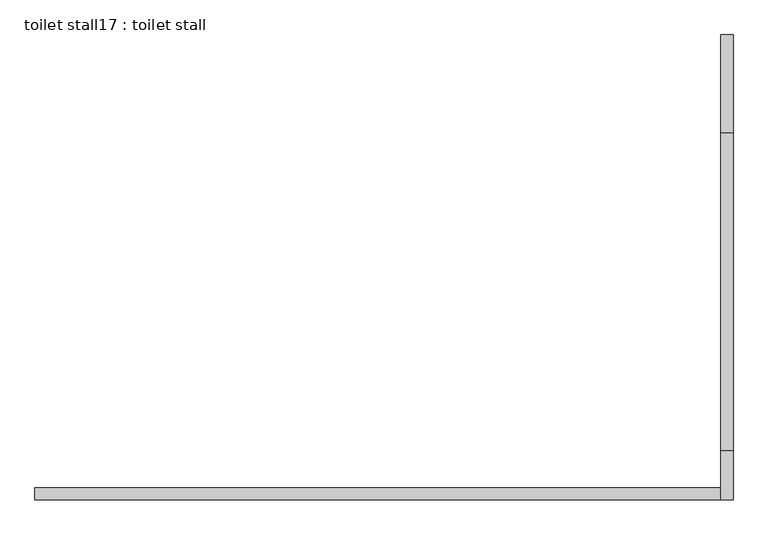
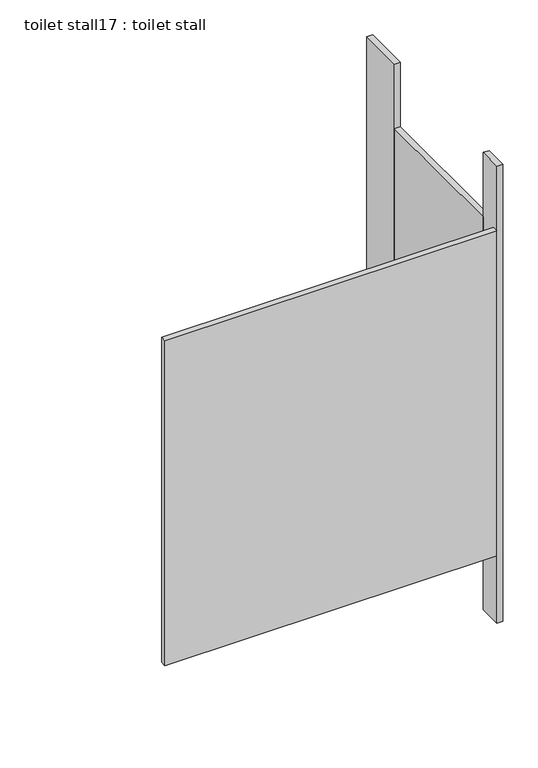
"""IFC4 building model written with IfcOpenShell, lengths in millimetres: proxy geometry, toilet stall17 : toilet stall."""

import ifcopenshell
import ifcopenshell.guid

model = None  # the IFC model being written
_history = None  # IfcOwnerHistory: only IFC2X3 demands one
_inside = {}  # id of a spatial element -> (the spatial element, [elements in it])
_under = {}  # id of a project, library or spatial element -> (it, [spatial elements below it])
_declared = {}  # id of a project -> (the project, [libraries it declares])
_typed = {}  # id of a type object -> (the type object, [elements of that type])
_made_of = {}  # id of a material, layer set ... -> (it, [elements and type objects made of it])


def new_model(schema):
    """Start an empty IFC model of exactly this schema.

    Asked for "IFC4X3", IfcOpenShell would pick the latest addendum, in which some entities
    have other attributes; the version numbers below select the first issue.
    IFC2X3 requires an IfcOwnerHistory on every rooted entity: one is made here for all.
    """
    global model, _history
    if schema == "IFC4X3":
        model = ifcopenshell.file(schema_version=(4, 3, 0, 0))
    else:
        model = ifcopenshell.file(schema=schema)
    _inside.clear()
    _under.clear()
    _declared.clear()
    _typed.clear()
    _made_of.clear()
    _history = None
    if model.schema == "IFC2X3":
        org = make("IfcOrganization", Name="unknown")
        user = make(
            "IfcPersonAndOrganization",
            ThePerson=make("IfcPerson", FamilyName="unknown"),
            TheOrganization=org,
        )
        app = make(
            "IfcApplication",
            ApplicationDeveloper=org,
            Version="unknown",
            ApplicationFullName="unknown",
            ApplicationIdentifier="unknown",
        )
        _history = make(
            "IfcOwnerHistory",
            OwningUser=user,
            OwningApplication=app,
            ChangeAction="ADDED",
            CreationDate=0,
        )
    return model


def make(cls, **values):
    """One entity of the class cls with the attributes given. An attribute that is None is left unset."""
    return model.create_entity(
        cls, **{name: value for name, value in values.items() if value is not None}
    )


def rooted(cls, **values):
    """An entity with a GlobalId (a new one), such as an element, a storey or a relation."""
    return make(cls, GlobalId=ifcopenshell.guid.new(), OwnerHistory=_history, **values)


def si_unit(unit_type, name, prefix=None):
    """IfcSIUnit, for example si_unit("LENGTHUNIT", "METRE", prefix="MILLI")."""
    return make("IfcSIUnit", UnitType=unit_type, Prefix=prefix, Name=name)


def assignment(units):
    """IfcUnitAssignment: the units of a project."""
    return None if units is None else make("IfcUnitAssignment", Units=units)


def point(xyz):
    """IfcCartesianPoint."""
    return None if xyz is None else make("IfcCartesianPoint", Coordinates=xyz)


def direction(xyz):
    """IfcDirection."""
    return None if xyz is None else make("IfcDirection", DirectionRatios=xyz)


def frame(location, z_axis=None, x_axis=None):
    """IfcAxis2Placement3D, a coordinate frame: its origin and axes. An axis left out is left unset."""
    return make(
        "IfcAxis2Placement3D",
        Location=point(location),
        Axis=direction(z_axis),
        RefDirection=direction(x_axis),
    )


def origin():
    """The frame at (0, 0, 0) with its axes left unset."""
    return frame((0.0, 0.0, 0.0))


def origin_with_axes():
    """The frame at (0, 0, 0) with the z axis (0, 0, 1) and the x axis (1, 0, 0) written out."""
    return frame((0.0, 0.0, 0.0), z_axis=(0.0, 0.0, 1.0), x_axis=(1.0, 0.0, 0.0))


def place(relative_to, where):
    """IfcLocalPlacement: puts the frame where relative to a parent placement (None: the world)."""
    return make(
        "IfcLocalPlacement", PlacementRelTo=relative_to, RelativePlacement=where
    )


def context(
    kind, dimensions, precision=None, world=None, true_north=None, identifier=None
):
    """IfcGeometricRepresentationContext, for example the 3D "Model" context."""
    return make(
        "IfcGeometricRepresentationContext",
        ContextIdentifier=identifier,
        ContextType=kind,
        CoordinateSpaceDimension=dimensions,
        Precision=precision,
        WorldCoordinateSystem=world,
        TrueNorth=true_north,
    )


def project(units=None, contexts=None):
    """IfcProject with its units and contexts."""
    return rooted(
        "IfcProject",
        Name="project",
        RepresentationContexts=contexts,
        UnitsInContext=assignment(units),
    )


def spatial(cls, under=None, at=None, **own):
    """A site, building, storey or space (cls), placed at a placement, below another one or the project."""
    s = rooted(cls, ObjectPlacement=at, **own)
    if under is not None:
        _under.setdefault(under.id(), (under, []))[1].append(s)
    return s


def polyline(points):
    """IfcPolyline through the points."""
    return make("IfcPolyline", Points=[point(p) for p in points])


def outline(outer, holes=None, kind="AREA"):
    """IfcArbitraryClosedProfileDef: a profile drawn as a closed curve; with holes, ...WithVoids."""
    if holes is None:
        return make("IfcArbitraryClosedProfileDef", ProfileType=kind, OuterCurve=outer)
    return make(
        "IfcArbitraryProfileDefWithVoids",
        ProfileType=kind,
        OuterCurve=outer,
        InnerCurves=holes,
    )


def extrude(swept, where, along, depth):
    """IfcExtrudedAreaSolid: the profile swept, set in the frame where, extruded along a direction by depth."""
    return make(
        "IfcExtrudedAreaSolid",
        SweptArea=swept,
        Position=where,
        ExtrudedDirection=direction(along),
        Depth=depth,
    )


def shape(context_of_items, identifier, shape_type, items):
    """IfcShapeRepresentation: the items that make up one representation, for example the "Body"."""
    return make(
        "IfcShapeRepresentation",
        ContextOfItems=context_of_items,
        RepresentationIdentifier=identifier,
        RepresentationType=shape_type,
        Items=items,
    )


def source(mapping_origin, context_of_items, identifier, shape_type, items):
    """IfcRepresentationMap: a shape defined once, which mapped items show again and again."""
    return make(
        "IfcRepresentationMap",
        MappingOrigin=mapping_origin,
        MappedRepresentation=shape(context_of_items, identifier, shape_type, items),
    )


def transform(
    local_origin,
    x_axis=None,
    y_axis=None,
    z_axis=None,
    scale=None,
    scale2=None,
    scale3=None,
    uniform=True,
):
    """IfcCartesianTransformationOperator3D, or its non-uniform kind. x_axis, y_axis, z_axis: its Axis1, 2, 3."""
    if uniform:
        return make(
            "IfcCartesianTransformationOperator3D",
            Axis1=direction(x_axis),
            Axis2=direction(y_axis),
            LocalOrigin=point(local_origin),
            Scale=scale,
            Axis3=direction(z_axis),
        )
    return make(
        "IfcCartesianTransformationOperator3DnonUniform",
        Axis1=direction(x_axis),
        Axis2=direction(y_axis),
        LocalOrigin=point(local_origin),
        Scale=scale,
        Axis3=direction(z_axis),
        Scale2=scale2,
        Scale3=scale3,
    )


def mapped(mapping_source, mapping_target):
    """IfcMappedItem: shows the shape of a source again, moved by a transform."""
    return make(
        "IfcMappedItem", MappingSource=mapping_source, MappingTarget=mapping_target
    )


def made_of(thing, what):
    """Note that an element or type object is made of a material, layer set ...; save() writes the relation."""
    if what is not None:
        _made_of.setdefault(what.id(), (what, []))[1].append(thing)
    return thing


def element(
    cls,
    number,
    at=None,
    inside=None,
    cuts=None,
    type_object=None,
    material=None,
    context=None,
    identifier="Body",
    shape_type=None,
    held_by="IfcProductDefinitionShape",
    body=None,
    shapes=None,
    **own,
):
    """One element of the class cls, such as IfcWall. Its Tag is "e" and its number.

    at: its placement. inside: the storey or other place that contains it. cuts: it is an
    opening in that element (IfcRelVoidsElement). A single representation is given by context,
    identifier, shape_type and body (its items); several are given by shapes. held_by: the class
    of the entity that holds the representations. save() writes the other relations.
    """
    e = rooted(cls, Tag="e%d" % number, ObjectPlacement=at, **own)
    if body is not None:
        shapes = [shape(context, identifier, shape_type, body)]
    if shapes is not None:
        e.Representation = make(held_by, Representations=shapes)
    if inside is not None:
        _inside.setdefault(inside.id(), (inside, []))[1].append(e)
    if cuts is not None:
        rooted(
            "IfcRelVoidsElement", RelatingBuildingElement=cuts, RelatedOpeningElement=e
        )
    if type_object is not None:
        _typed.setdefault(type_object.id(), (type_object, []))[1].append(e)
    return made_of(e, material)


def aggregate(whole, parts):
    """IfcRelAggregates: a whole, such as a stair, and the parts it consists of."""
    return rooted("IfcRelAggregates", RelatingObject=whole, RelatedObjects=parts)


def save(model, path):
    """Write the relations noted so far, then the file.

    IfcRelAggregates (storeys below a building ...), IfcRelContainedInSpatialStructure (elements
    in a storey), IfcRelDefinesByType, IfcRelAssociatesMaterial and IfcRelDeclares: one each for
    every whole, place, type object, material and project.
    """
    for whole, parts in _under.values():
        aggregate(whole, parts)
    for where, things in _inside.values():
        rooted(
            "IfcRelContainedInSpatialStructure",
            RelatedElements=things,
            RelatingStructure=where,
        )
    for kind, things in _typed.values():
        rooted("IfcRelDefinesByType", RelatedObjects=things, RelatingType=kind)
    for what, things in _made_of.values():
        rooted("IfcRelAssociatesMaterial", RelatedObjects=things, RelatingMaterial=what)
    for by, libraries in _declared.values():
        rooted("IfcRelDeclares", RelatingContext=by, RelatedDefinitions=libraries)
    model.write(path)


def toilet_stall17_toilet_stall_d690d60a(model_context):
    return source(origin(), model_context, "Body", "SweptSolid", [
        extrude(outline(polyline([(458207.8504676, -275857.4738632), (458207.8504676, -275654.2738632), (458233.2504676, -275654.2738632), (458233.2504676, -275857.4738632), (458207.8504676, -275857.4738632)])), origin_with_axes(), (0.0, 0.0, 1.0), 2070.1),
        extrude(outline(polyline([(458207.8504676, -276619.4738632), (458207.8504676, -276517.8738632), (458233.2504676, -276517.8738632), (458233.2504676, -276619.4738632), (458207.8504676, -276619.4738632)])), origin_with_axes(), (0.0, 0.0, 1.0), 2070.1),
        extrude(outline(polyline([(458207.8504676, -276619.4738632), (456785.4504676, -276619.4738632), (456785.4504676, -276594.0738632), (458207.8504676, -276594.0738632), (458207.8504676, -276619.4738632)])), frame((0.0, 0.0, 304.8), z_axis=(0.0, 0.0, 1.0), x_axis=(1.0, 0.0, 0.0)), (0.0, 0.0, 1.0), 1473.2),
        extrude(outline(polyline([(458207.8504676, -276517.8738632), (458207.8504676, -275857.4738632), (458233.2504676, -275857.4738632), (458233.2504676, -276517.8738632), (458207.8504676, -276517.8738632)])), frame((0.0, 0.0, 304.8), z_axis=(0.0, 0.0, 1.0), x_axis=(1.0, 0.0, 0.0)), (0.0, 0.0, 1.0), 1473.2),
    ])


if __name__ == "__main__":
    model = new_model("IFC4")
    model_context = context("Model", 3, world=origin())
    ifc_project = project(units=[si_unit("LENGTHUNIT", "METRE", prefix="MILLI")], contexts=[model_context])
    site = spatial("IfcSite", under=ifc_project)
    building = spatial("IfcBuilding", under=site)
    placement = place(None, origin())
    toilet_stall17_toilet_stall_shape = toilet_stall17_toilet_stall_d690d60a(model_context)
    element("IfcBuildingElementProxy", 1, Name="toilet stall17 : toilet stall", ObjectType="toilet stall17 : toilet stall", at=placement, inside=building, context=model_context, shape_type="MappedRepresentation", body=[
        mapped(toilet_stall17_toilet_stall_shape, transform((0.0, 0.0, 0.0), x_axis=(1.0, 0.0, 0.0), y_axis=(0.0, 1.0, 0.0), z_axis=(0.0, 0.0, 1.0))),
    ])
    save(model, "model.ifc")
